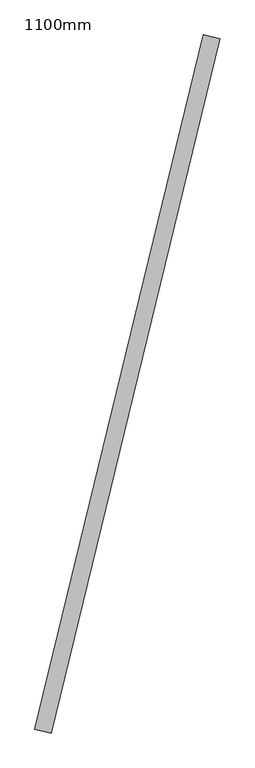
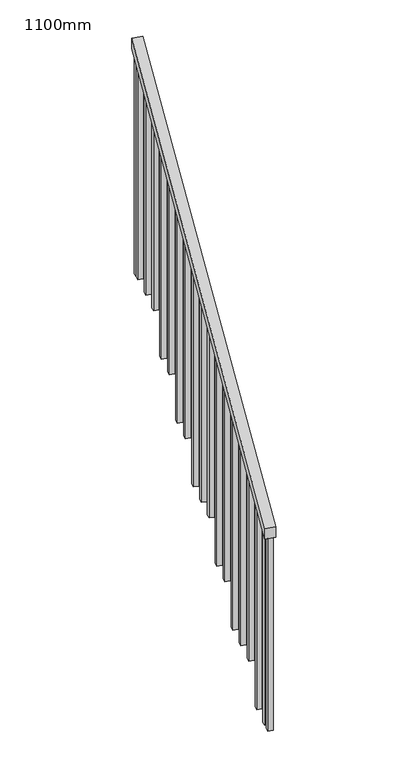
"""IFC4 building model written with IfcOpenShell, lengths in millimetres: railing geometry, 1100mm."""

from ifc_helpers import new_model, si_unit, frame, origin, place, context, project, spatial, polyline, outline, extrude, source, transform, mapped, element, save


def railing_1100mm_6003dfe7(model_context):
    return source(origin(), model_context, "Body", "SweptSolid", [
        extrude(outline(polyline([(29.6296296, -50.0), (0.0, 0.0), (2441.0329729, 0.0), (2470.6626026, -50.0), (29.6296296, -50.0)])), frame((-1802.5449243, -114602.8163042, 1219.6579451), z_axis=(-0.9716984721614605, 0.2362246371551529, 0.0), x_axis=(0.2032220553803879, 0.8359439688457877, 0.5098023903016965)), (0.0, 0.0, 1.0), 50.0),
        extrude(outline(polyline([(1297.4357229, 25.0), (1297.4357229, 0.0), (92.5925926, 0.0), (107.4074074, 25.0), (1297.4357229, 25.0)])), frame((-1324.5250331, -112583.5891665, 2541.8801673), z_axis=(-0.9716984721614605, 0.2362246371551529, 0.0), x_axis=(0.0, 0.0, -1.0)), (0.0, 0.0, 1.0), 25.0),
        extrude(outline(polyline([(1223.3616488, 25.0), (1223.3616488, 0.0), (92.5925926, 0.0), (107.4074074, 25.0), (1223.3616488, 25.0)])), frame((-1354.0531128, -112705.0514756, 2467.8060932), z_axis=(-0.9716984721614605, 0.2362246371551529, 0.0), x_axis=(0.0, 0.0, -1.0)), (0.0, 0.0, 1.0), 25.0),
        extrude(outline(polyline([(1149.2875748, 25.0), (1149.2875748, 0.0), (92.5925926, 0.0), (107.4074074, 25.0), (1149.2875748, 25.0)])), frame((-1383.5811924, -112826.5137846, 2393.7320192), z_axis=(-0.9716984721614605, 0.2362246371551529, 0.0), x_axis=(0.0, 0.0, -1.0)), (0.0, 0.0, 1.0), 25.0),
        extrude(outline(polyline([(1252.9912784, 25.0), (1252.9912784, 0.0), (92.5925926, 0.0), (107.4074074, 25.0), (1252.9912784, 25.0)])), frame((-1413.1092721, -112947.9760936, 2319.6579451), z_axis=(-0.9716984721614605, 0.2362246371551529, 0.0), x_axis=(0.0, 0.0, -1.0)), (0.0, 0.0, 1.0), 25.0),
        extrude(outline(polyline([(1178.9172043, 25.0), (1178.9172043, 0.0), (92.5925926, 0.0), (107.4074074, 25.0), (1178.9172043, 25.0)])), frame((-1442.6373517, -113069.4384026, 2245.583871), z_axis=(-0.9716984721614605, 0.2362246371551529, 0.0), x_axis=(0.0, 0.0, -1.0)), (0.0, 0.0, 1.0), 25.0),
        extrude(outline(polyline([(1282.620908, 25.0), (1282.620908, 0.0), (92.5925926, 0.0), (107.4074074, 25.0), (1282.620908, 25.0)])), frame((-1472.1654314, -113190.9007116, 2171.5097969), z_axis=(-0.9716984721614605, 0.2362246371551529, 0.0), x_axis=(0.0, 0.0, -1.0)), (0.0, 0.0, 1.0), 25.0),
        extrude(outline(polyline([(1208.546834, 25.0), (1208.546834, 0.0), (92.5925926, 0.0), (107.4074074, 25.0), (1208.546834, 25.0)])), frame((-1501.693511, -113312.3630207, 2097.4357229), z_axis=(-0.9716984721614605, 0.2362246371551529, 0.0), x_axis=(0.0, 0.0, -1.0)), (0.0, 0.0, 1.0), 25.0),
        extrude(outline(polyline([(1312.2505377, 25.0), (1312.2505377, 0.0), (92.5925926, 0.0), (107.4074074, 25.0), (1312.2505377, 25.0)])), frame((-1531.2215906, -113433.8253297, 2023.3616488), z_axis=(-0.9716984721614605, 0.2362246371551529, 0.0), x_axis=(0.0, 0.0, -1.0)), (0.0, 0.0, 1.0), 25.0),
        extrude(outline(polyline([(1238.1764636, 25.0), (1238.1764636, 0.0), (92.5925926, 0.0), (107.4074074, 25.0), (1238.1764636, 25.0)])), frame((-1560.7496703, -113555.2876387, 1949.2875747), z_axis=(-0.9716984721614605, 0.2362246371551529, 0.0), x_axis=(0.0, 0.0, -1.0)), (0.0, 0.0, 1.0), 25.0),
        extrude(outline(polyline([(1164.1023895, 25.0), (1164.1023895, 0.0), (92.5925926, 0.0), (107.4074074, 25.0), (1164.1023895, 25.0)])), frame((-1590.2777499, -113676.7499477, 1875.2135006), z_axis=(-0.9716984721614605, 0.2362246371551529, 0.0), x_axis=(0.0, 0.0, -1.0)), (0.0, 0.0, 1.0), 25.0),
        extrude(outline(polyline([(1267.8060933, 25.0), (1267.8060933, 0.0), (92.5925926, 0.0), (107.4074074, 25.0), (1267.8060933, 25.0)])), frame((-1619.8058296, -113798.2122567, 1801.1394266), z_axis=(-0.9716984721614605, 0.2362246371551529, 0.0), x_axis=(0.0, 0.0, -1.0)), (0.0, 0.0, 1.0), 25.0),
        extrude(outline(polyline([(1193.7320192, 25.0), (1193.7320192, 0.0), (92.5925926, 0.0), (107.4074074, 25.0), (1193.7320192, 25.0)])), frame((-1649.3339092, -113919.6745658, 1727.0653525), z_axis=(-0.9716984721614605, 0.2362246371551529, 0.0), x_axis=(0.0, 0.0, -1.0)), (0.0, 0.0, 1.0), 25.0),
        extrude(outline(polyline([(1297.4357228, 25.0), (1297.4357228, 0.0), (92.5925926, 0.0), (107.4074074, 25.0), (1297.4357228, 25.0)])), frame((-1678.8619889, -114041.1368748, 1652.9912784), z_axis=(-0.9716984721614605, 0.2362246371551529, 0.0), x_axis=(0.0, 0.0, -1.0)), (0.0, 0.0, 1.0), 25.0),
        extrude(outline(polyline([(1223.3616487, 25.0), (1223.3616487, 0.0), (92.5925925, 0.0), (107.4074074, 25.0), (1223.3616487, 25.0)])), frame((-1708.3900685, -114162.5991838, 1578.9172043), z_axis=(-0.9716984721614605, 0.2362246371551529, 0.0), x_axis=(0.0, 0.0, -1.0)), (0.0, 0.0, 1.0), 25.0),
        extrude(outline(polyline([(1149.2875747, 25.0), (1149.2875747, 0.0), (92.5925926, 0.0), (107.4074074, 25.0), (1149.2875747, 25.0)])), frame((-1737.9181482, -114284.0614928, 1504.8431303), z_axis=(-0.9716984721614605, 0.2362246371551529, 0.0), x_axis=(0.0, 0.0, -1.0)), (0.0, 0.0, 1.0), 25.0),
        extrude(outline(polyline([(1252.9912784, 25.0), (1252.9912784, 0.0), (92.5925926, 0.0), (107.4074074, 25.0), (1252.9912784, 25.0)])), frame((-1767.4462278, -114405.5238018, 1430.7690562), z_axis=(-0.9716984721614605, 0.2362246371551529, 0.0), x_axis=(0.0, 0.0, -1.0)), (0.0, 0.0, 1.0), 25.0),
        extrude(outline(polyline([(1178.9172043, 25.0), (1178.9172043, 0.0), (92.5925926, 0.0), (107.4074074, 25.0), (1178.9172043, 25.0)])), frame((-1796.9743074, -114526.9861109, 1356.6949821), z_axis=(-0.9716984721614605, 0.2362246371551529, 0.0), x_axis=(0.0, 0.0, -1.0)), (0.0, 0.0, 1.0), 25.0),
        extrude(outline(polyline([(1312.2505377, 25.0), (1312.2505377, 0.0), (92.5925926, 0.0), (107.4074074, 25.0), (1312.2505377, 25.0)])), frame((-1318.6194172, -112559.2967047, 2556.6949821), z_axis=(-0.9716984721614605, 0.2362246371551529, 0.0), x_axis=(0.0, 0.0, -1.0)), (0.0, 0.0, 1.0), 25.0),
        extrude(outline(polyline([(1149.2875747, 25.0), (1149.2875747, 0.0), (92.5925926, 0.0), (107.4074074, 25.0), (1149.2875747, 25.0)])), frame((-1808.7855393, -114575.5710345, 1327.0653525), z_axis=(-0.9716984721614605, 0.2362246371551529, 0.0), x_axis=(0.0, 0.0, -1.0)), (0.0, 0.0, 1.0), 25.0),
    ])


if __name__ == "__main__":
    model = new_model("IFC4")
    model_context = context("Model", 3, world=origin())
    ifc_project = project(units=[si_unit("LENGTHUNIT", "METRE", prefix="MILLI")], contexts=[model_context])
    site = spatial("IfcSite", under=ifc_project)
    building = spatial("IfcBuilding", under=site)
    placement = place(None, origin())
    railing_1100mm_shape = railing_1100mm_6003dfe7(model_context)
    element("IfcRailing", 1, ObjectType="1100mm", at=placement, inside=building, context=model_context, shape_type="MappedRepresentation", body=[
        mapped(railing_1100mm_shape, transform((0.0, 0.0, 0.0), x_axis=(1.0, 0.0, 0.0), y_axis=(0.0, 1.0, 0.0), z_axis=(0.0, 0.0, 1.0))),
    ])
    save(model, "model.ifc")
